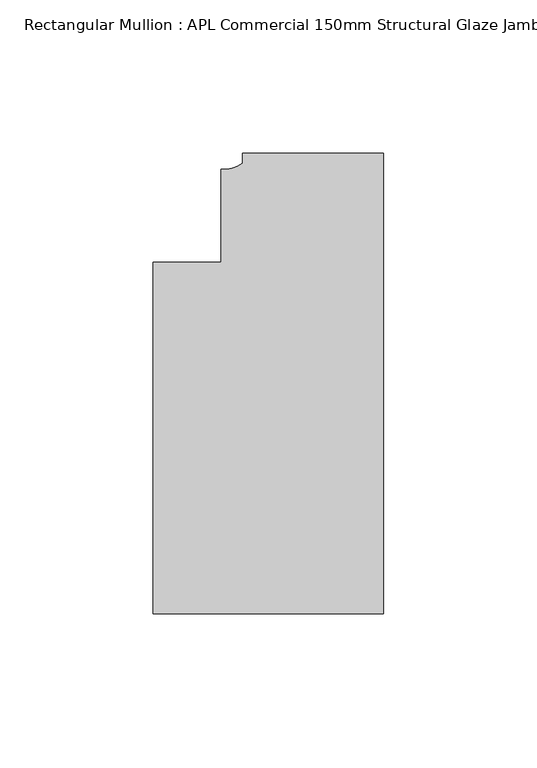
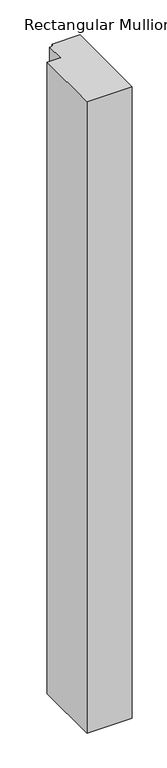
"""IFC4 building model written with IfcOpenShell, lengths in millimetres: member geometry, Rectangular Mullion : APL Commercial 150mm Structural Glaze Jamb Frame (right)."""

import ifcopenshell
import ifcopenshell.guid

model = None  # the IFC model being written
_history = None  # IfcOwnerHistory: only IFC2X3 demands one
_inside = {}  # id of a spatial element -> (the spatial element, [elements in it])
_under = {}  # id of a project, library or spatial element -> (it, [spatial elements below it])
_declared = {}  # id of a project -> (the project, [libraries it declares])
_typed = {}  # id of a type object -> (the type object, [elements of that type])
_made_of = {}  # id of a material, layer set ... -> (it, [elements and type objects made of it])


def new_model(schema):
    """Start an empty IFC model of exactly this schema.

    Asked for "IFC4X3", IfcOpenShell would pick the latest addendum, in which some entities
    have other attributes; the version numbers below select the first issue.
    IFC2X3 requires an IfcOwnerHistory on every rooted entity: one is made here for all.
    """
    global model, _history
    if schema == "IFC4X3":
        model = ifcopenshell.file(schema_version=(4, 3, 0, 0))
    else:
        model = ifcopenshell.file(schema=schema)
    _inside.clear()
    _under.clear()
    _declared.clear()
    _typed.clear()
    _made_of.clear()
    _history = None
    if model.schema == "IFC2X3":
        org = make("IfcOrganization", Name="unknown")
        user = make(
            "IfcPersonAndOrganization",
            ThePerson=make("IfcPerson", FamilyName="unknown"),
            TheOrganization=org,
        )
        app = make(
            "IfcApplication",
            ApplicationDeveloper=org,
            Version="unknown",
            ApplicationFullName="unknown",
            ApplicationIdentifier="unknown",
        )
        _history = make(
            "IfcOwnerHistory",
            OwningUser=user,
            OwningApplication=app,
            ChangeAction="ADDED",
            CreationDate=0,
        )
    return model


def make(cls, **values):
    """One entity of the class cls with the attributes given. An attribute that is None is left unset."""
    return model.create_entity(
        cls, **{name: value for name, value in values.items() if value is not None}
    )


def rooted(cls, **values):
    """An entity with a GlobalId (a new one), such as an element, a storey or a relation."""
    return make(cls, GlobalId=ifcopenshell.guid.new(), OwnerHistory=_history, **values)


def si_unit(unit_type, name, prefix=None):
    """IfcSIUnit, for example si_unit("LENGTHUNIT", "METRE", prefix="MILLI")."""
    return make("IfcSIUnit", UnitType=unit_type, Prefix=prefix, Name=name)


def assignment(units):
    """IfcUnitAssignment: the units of a project."""
    return None if units is None else make("IfcUnitAssignment", Units=units)


def point(xyz):
    """IfcCartesianPoint."""
    return None if xyz is None else make("IfcCartesianPoint", Coordinates=xyz)


def direction(xyz):
    """IfcDirection."""
    return None if xyz is None else make("IfcDirection", DirectionRatios=xyz)


def frame(location, z_axis=None, x_axis=None):
    """IfcAxis2Placement3D, a coordinate frame: its origin and axes. An axis left out is left unset."""
    return make(
        "IfcAxis2Placement3D",
        Location=point(location),
        Axis=direction(z_axis),
        RefDirection=direction(x_axis),
    )


def frame_2d(location, x_axis=None):
    """IfcAxis2Placement2D, a coordinate frame in the plane: its origin and x axis."""
    return make(
        "IfcAxis2Placement2D", Location=point(location), RefDirection=direction(x_axis)
    )


def origin():
    """The frame at (0, 0, 0) with its axes left unset."""
    return frame((0.0, 0.0, 0.0))


def place(relative_to, where):
    """IfcLocalPlacement: puts the frame where relative to a parent placement (None: the world)."""
    return make(
        "IfcLocalPlacement", PlacementRelTo=relative_to, RelativePlacement=where
    )


def context(
    kind, dimensions, precision=None, world=None, true_north=None, identifier=None
):
    """IfcGeometricRepresentationContext, for example the 3D "Model" context."""
    return make(
        "IfcGeometricRepresentationContext",
        ContextIdentifier=identifier,
        ContextType=kind,
        CoordinateSpaceDimension=dimensions,
        Precision=precision,
        WorldCoordinateSystem=world,
        TrueNorth=true_north,
    )


def project(units=None, contexts=None):
    """IfcProject with its units and contexts."""
    return rooted(
        "IfcProject",
        Name="project",
        RepresentationContexts=contexts,
        UnitsInContext=assignment(units),
    )


def spatial(cls, under=None, at=None, **own):
    """A site, building, storey or space (cls), placed at a placement, below another one or the project."""
    s = rooted(cls, ObjectPlacement=at, **own)
    if under is not None:
        _under.setdefault(under.id(), (under, []))[1].append(s)
    return s


def polyline(points):
    """IfcPolyline through the points."""
    return make("IfcPolyline", Points=[point(p) for p in points])


def circle_curve(where, radius):
    """IfcCircle in the frame where."""
    return make("IfcCircle", Position=where, Radius=radius)


def trimmed(basis, trim1, trim2, sense, master):
    """IfcTrimmedCurve: the piece of a basis curve between two trims."""
    return make(
        "IfcTrimmedCurve",
        BasisCurve=basis,
        Trim1=trim1,
        Trim2=trim2,
        SenseAgreement=sense,
        MasterRepresentation=master,
    )


def segment(curve, same_sense, transition):
    """IfcCompositeCurveSegment."""
    return make(
        "IfcCompositeCurveSegment",
        Transition=transition,
        SameSense=same_sense,
        ParentCurve=curve,
    )


def composite_curve(segments, self_intersect=None):
    """IfcCompositeCurve: segments joined end to end."""
    return make("IfcCompositeCurve", Segments=segments, SelfIntersect=self_intersect)


def outline(outer, holes=None, kind="AREA"):
    """IfcArbitraryClosedProfileDef: a profile drawn as a closed curve; with holes, ...WithVoids."""
    if holes is None:
        return make("IfcArbitraryClosedProfileDef", ProfileType=kind, OuterCurve=outer)
    return make(
        "IfcArbitraryProfileDefWithVoids",
        ProfileType=kind,
        OuterCurve=outer,
        InnerCurves=holes,
    )


def extrude(swept, where, along, depth):
    """IfcExtrudedAreaSolid: the profile swept, set in the frame where, extruded along a direction by depth."""
    return make(
        "IfcExtrudedAreaSolid",
        SweptArea=swept,
        Position=where,
        ExtrudedDirection=direction(along),
        Depth=depth,
    )


def shape(context_of_items, identifier, shape_type, items):
    """IfcShapeRepresentation: the items that make up one representation, for example the "Body"."""
    return make(
        "IfcShapeRepresentation",
        ContextOfItems=context_of_items,
        RepresentationIdentifier=identifier,
        RepresentationType=shape_type,
        Items=items,
    )


def source(mapping_origin, context_of_items, identifier, shape_type, items):
    """IfcRepresentationMap: a shape defined once, which mapped items show again and again."""
    return make(
        "IfcRepresentationMap",
        MappingOrigin=mapping_origin,
        MappedRepresentation=shape(context_of_items, identifier, shape_type, items),
    )


def transform(
    local_origin,
    x_axis=None,
    y_axis=None,
    z_axis=None,
    scale=None,
    scale2=None,
    scale3=None,
    uniform=True,
):
    """IfcCartesianTransformationOperator3D, or its non-uniform kind. x_axis, y_axis, z_axis: its Axis1, 2, 3."""
    if uniform:
        return make(
            "IfcCartesianTransformationOperator3D",
            Axis1=direction(x_axis),
            Axis2=direction(y_axis),
            LocalOrigin=point(local_origin),
            Scale=scale,
            Axis3=direction(z_axis),
        )
    return make(
        "IfcCartesianTransformationOperator3DnonUniform",
        Axis1=direction(x_axis),
        Axis2=direction(y_axis),
        LocalOrigin=point(local_origin),
        Scale=scale,
        Axis3=direction(z_axis),
        Scale2=scale2,
        Scale3=scale3,
    )


def mapped(mapping_source, mapping_target):
    """IfcMappedItem: shows the shape of a source again, moved by a transform."""
    return make(
        "IfcMappedItem", MappingSource=mapping_source, MappingTarget=mapping_target
    )


def made_of(thing, what):
    """Note that an element or type object is made of a material, layer set ...; save() writes the relation."""
    if what is not None:
        _made_of.setdefault(what.id(), (what, []))[1].append(thing)
    return thing


def element(
    cls,
    number,
    at=None,
    inside=None,
    cuts=None,
    type_object=None,
    material=None,
    context=None,
    identifier="Body",
    shape_type=None,
    held_by="IfcProductDefinitionShape",
    body=None,
    shapes=None,
    **own,
):
    """One element of the class cls, such as IfcWall. Its Tag is "e" and its number.

    at: its placement. inside: the storey or other place that contains it. cuts: it is an
    opening in that element (IfcRelVoidsElement). A single representation is given by context,
    identifier, shape_type and body (its items); several are given by shapes. held_by: the class
    of the entity that holds the representations. save() writes the other relations.
    """
    e = rooted(cls, Tag="e%d" % number, ObjectPlacement=at, **own)
    if body is not None:
        shapes = [shape(context, identifier, shape_type, body)]
    if shapes is not None:
        e.Representation = make(held_by, Representations=shapes)
    if inside is not None:
        _inside.setdefault(inside.id(), (inside, []))[1].append(e)
    if cuts is not None:
        rooted(
            "IfcRelVoidsElement", RelatingBuildingElement=cuts, RelatedOpeningElement=e
        )
    if type_object is not None:
        _typed.setdefault(type_object.id(), (type_object, []))[1].append(e)
    return made_of(e, material)


def aggregate(whole, parts):
    """IfcRelAggregates: a whole, such as a stair, and the parts it consists of."""
    return rooted("IfcRelAggregates", RelatingObject=whole, RelatedObjects=parts)


def save(model, path):
    """Write the relations noted so far, then the file.

    IfcRelAggregates (storeys below a building ...), IfcRelContainedInSpatialStructure (elements
    in a storey), IfcRelDefinesByType, IfcRelAssociatesMaterial and IfcRelDeclares: one each for
    every whole, place, type object, material and project.
    """
    for whole, parts in _under.values():
        aggregate(whole, parts)
    for where, things in _inside.values():
        rooted(
            "IfcRelContainedInSpatialStructure",
            RelatedElements=things,
            RelatingStructure=where,
        )
    for kind, things in _typed.values():
        rooted("IfcRelDefinesByType", RelatedObjects=things, RelatingType=kind)
    for what, things in _made_of.values():
        rooted("IfcRelAssociatesMaterial", RelatedObjects=things, RelatingMaterial=what)
    for by, libraries in _declared.values():
        rooted("IfcRelDeclares", RelatingContext=by, RelatedDefinitions=libraries)
    model.write(path)


def rectangular_mullion_apl_commercial_150mm_structural_glaze_4e01a8df(model_context):
    return source(origin(), model_context, "Body", "SweptSolid", [
        extrude(outline(composite_curve([segment(polyline([(0.0, 20.5), (0.0, -129.4999988), (-75.0, -129.4999988), (-75.0, -15.0000829), (-52.9999391, -15.0000829), (-52.9999391, 15.3797475)]), True, "CONTINUOUS"), segment(trimmed(circle_curve(frame_2d((-52.1098019, 25.7981812)), 10.4563907), [point((-52.9999391, 15.3797475))], [point((-46.0, 17.3125212))], True, "CARTESIAN"), True, "CONTINUOUS"), segment(polyline([(-46.0, 17.3125212), (-46.0, 20.5), (0.0, 20.5)]), True, "CONTINUOUS")], self_intersect=False)), frame((0.0, 0.0, -1107.4975005), z_axis=(0.0, 0.0, 1.0), x_axis=(1.0, 0.0, 0.0)), (0.0, 0.0, 1.0), 1107.4975005),
    ])


if __name__ == "__main__":
    model = new_model("IFC4")
    model_context = context("Model", 3, world=origin())
    ifc_project = project(units=[si_unit("LENGTHUNIT", "METRE", prefix="MILLI")], contexts=[model_context])
    site = spatial("IfcSite", under=ifc_project)
    building = spatial("IfcBuilding", under=site)
    placement = place(None, origin())
    rectangular_mullion_apl_commercial_150mm_structural_glaze_shape = rectangular_mullion_apl_commercial_150mm_structural_glaze_4e01a8df(model_context)
    element("IfcMember", 1, ObjectType="Rectangular Mullion : APL Commercial 150mm Structural Glaze Jamb Frame (right)", at=placement, inside=building, context=model_context, shape_type="MappedRepresentation", body=[
        mapped(rectangular_mullion_apl_commercial_150mm_structural_glaze_shape, transform((0.0, 0.0, 0.0), x_axis=(1.0, 0.0, 0.0), y_axis=(0.0, 1.0, 0.0), z_axis=(0.0, 0.0, 1.0))),
    ])
    save(model, "model.ifc")
